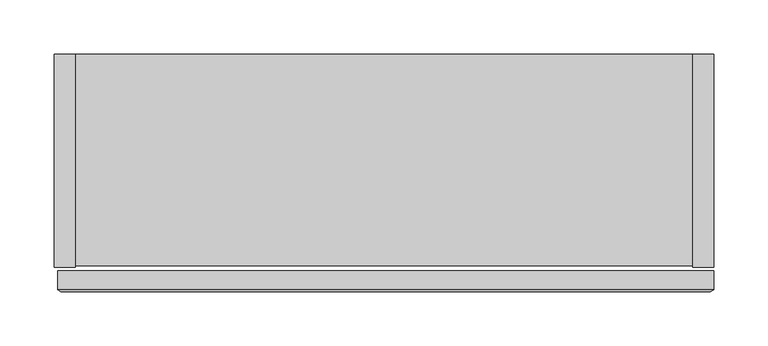
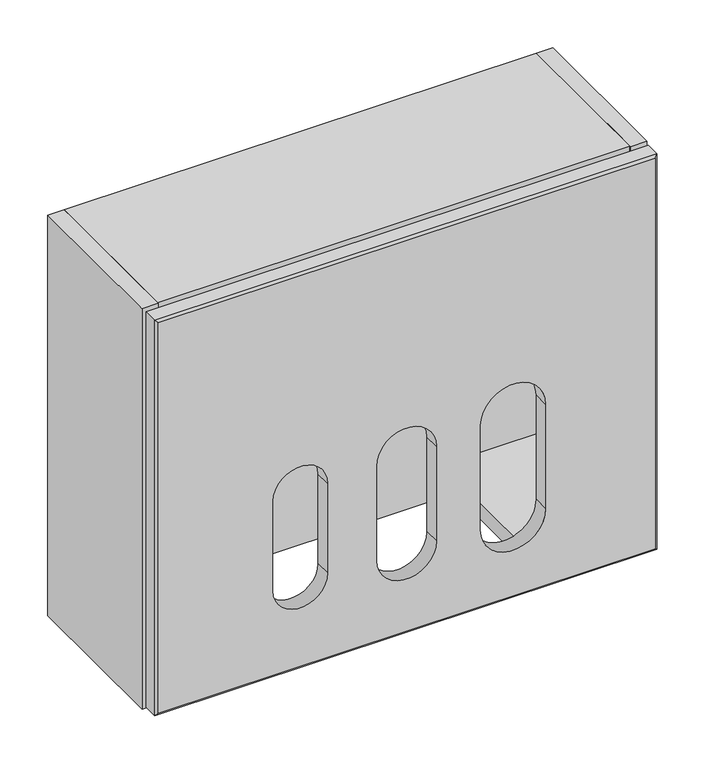
"""IFC4 building model written with IfcOpenShell, lengths in millimetres: furniture geometry."""

from ifc_helpers import new_model, si_unit, frame, origin, place, context, project, spatial, polyline, circle_curve, outline, extrude, source, transform, mapped, element, save
from ifc_brep_helpers import plane_surface, revolved_surface, advanced_brep


def furniture_24e6e045(model_context):
    return source(origin(), model_context, "Body", "SolidModel", [
        extrude(outline(polyline([(-437.6428362, 90.2328644), (-311.6834, 90.2328644), (-311.6834, -85.5446699), (-437.6428362, -85.5446699), (-437.6428362, 90.2328644)])), frame((0.0, 0.0, 1629.9375211), z_axis=(0.0, 0.0, 1.0), x_axis=(1.0, 0.0, 0.0)), (0.0, 0.0, 1.0), 19.5572001),
        extrude(outline(polyline([(6.8834, 90.2328644), (132.8428362, 90.2328644), (132.8428362, -85.5446699), (6.8834, -85.5446699), (6.8834, 90.2328644)])), frame((0.0, 0.0, 1629.9375211), z_axis=(0.0, 0.0, 1.0), x_axis=(1.0, 0.0, 0.0)), (0.0, 0.0, 1.0), 19.5572001),
        advanced_brep(
        [(-450.8501575, -109.7931898, 2112.6469333), (-450.8501575, -109.7931898, 1614.4452618), (149.2248425, -109.7931898, 1614.4452618), (149.2248425, -109.7931898, 2112.6469333), (-186.8350798, -109.7931898, 1837.4676831), (-114.7902351, -109.7931898, 1837.4676831), (-114.7902351, -109.7931898, 1716.8176831), (-186.8350798, -109.7931898, 1716.8176831), (-246.3154511, -109.7931898, 1722.0156217), (-312.1772377, -109.7931898, 1722.0156217), (-312.1772377, -109.7931898, 1836.3156217), (-246.3154511, -109.7931898, 1836.3156217), (16.923821, -109.7931898, 1711.7712252), (-61.5708063, -109.7931898, 1711.7712252), (-61.5708063, -109.7931898, 1845.1212252), (16.923821, -109.7931898, 1845.1212252), (-454.0251575, -107.9688826, 2115.8183967), (-454.0251575, -107.9688826, 1611.2768869), (152.3998425, -107.9688826, 1611.2768869), (152.3998425, -107.9688826, 2115.8183967), (-114.7902351, -90.2351898, 1837.4676831), (-186.8350798, -90.2351898, 1837.4676831), (-186.8350798, -90.2351898, 1716.8176831), (-114.7902351, -90.2351898, 1716.8176831), (-312.1772377, -90.2351898, 1722.0156217), (-246.3154511, -90.2351898, 1722.0156217), (-312.1772377, -90.2350813, 1836.3156217), (-246.3154511, -90.2350813, 1836.3156217), (-61.5708063, -90.2351898, 1711.7712252), (16.923821, -90.2351898, 1711.7712252), (-61.5708063, -90.2350813, 1845.1212252), (16.923821, -90.2350813, 1845.1212252), (152.3998425, -90.2350813, 1611.2768869), (152.3998425, -90.2350813, 2115.8183967), (-454.0251575, -90.2350813, 2115.8183967), (-454.0251575, -90.2350813, 1611.2768869)],
        [
            (0, 1),
            (1, 2),
            (2, 3),
            (3, 0),
            (4, 5, circle_curve(frame((-150.8126575, -109.7931898, 1837.4676831), z_axis=(0.0, 1.0, 0.0), x_axis=(-1.0, 0.0, 0.0)), 36.0224224)),
            (5, 6),
            (6, 7, circle_curve(frame((-150.8126575, -109.7931898, 1716.8176831), z_axis=(0.0, 1.0, 0.0), x_axis=(-1.0, 0.0, 0.0)), 36.0224224)),
            (7, 4),
            (8, 9, circle_curve(frame((-279.2463444, -109.7931898, 1722.0156217), z_axis=(0.0, 1.0, 0.0), x_axis=(-1.0, 0.0, 0.0)), 32.9308933)),
            (9, 10),
            (10, 11, circle_curve(frame((-279.2463444, -109.7931898, 1836.3156217), z_axis=(0.0, 1.0, 0.0), x_axis=(-1.0, 0.0, 0.0)), 32.9308933)),
            (11, 8),
            (12, 13, circle_curve(frame((-22.3234927, -109.7931898, 1711.7712252), z_axis=(0.0, 1.0, 0.0), x_axis=(-1.0, 0.0, 0.0)), 39.2473137)),
            (13, 14),
            (14, 15, circle_curve(frame((-22.3234927, -109.7931898, 1845.1212252), z_axis=(0.0, 1.0, 0.0), x_axis=(-1.0, 0.0, 0.0)), 39.2473137)),
            (15, 12),
            (0, 16),
            (16, 17),
            (17, 1),
            (17, 18),
            (18, 2),
            (18, 19),
            (19, 3),
            (19, 16),
            (20, 5),
            (4, 21),
            (21, 20, circle_curve(frame((-150.8126575, -90.2350813, 1837.4676831), z_axis=(0.0, 1.0, 0.0), x_axis=(-1.0, 0.0, 0.0)), 36.0224224)),
            (7, 22),
            (22, 21),
            (6, 23),
            (23, 22, circle_curve(frame((-150.8126575, -90.2350813, 1716.8176831), z_axis=(0.0, 1.0, 0.0), x_axis=(-1.0, 0.0, 0.0)), 36.0224224)),
            (20, 23),
            (24, 9),
            (8, 25),
            (25, 24, circle_curve(frame((-279.2463444, -90.2350813, 1722.0156217), z_axis=(0.0, 1.0, 0.0), x_axis=(-1.0, 0.0, 0.0)), 32.9308933)),
            (24, 26),
            (26, 10),
            (26, 27, circle_curve(frame((-279.2463444, -90.2350813, 1836.3156217), z_axis=(0.0, 1.0, 0.0), x_axis=(-1.0, 0.0, 0.0)), 32.9308933)),
            (27, 11),
            (27, 25),
            (28, 13),
            (12, 29),
            (29, 28, circle_curve(frame((-22.3234927, -90.2350813, 1711.7712252), z_axis=(0.0, 1.0, 0.0), x_axis=(-1.0, 0.0, 0.0)), 39.2473137)),
            (28, 30),
            (30, 14),
            (30, 31, circle_curve(frame((-22.3234927, -90.2350813, 1845.1212252), z_axis=(0.0, 1.0, 0.0), x_axis=(-1.0, 0.0, 0.0)), 39.2473137)),
            (31, 15),
            (31, 29),
            (18, 32),
            (32, 33),
            (33, 19),
            (16, 34),
            (34, 35),
            (35, 17),
            (35, 32),
            (34, 33),
        ],
        [
            plane_surface(frame((-150.8126575, -109.7931898, 1863.5460976), z_axis=(0.0, -1.0, 0.0), x_axis=(0.0, 0.0, -1.0))),
            plane_surface(frame((-454.0251575, -107.9688826, 1863.5476418), z_axis=(-0.4982006522762486, -0.8670617683138384, 0.0), x_axis=(0.0, 0.0, -1.0))),
            plane_surface(frame((-150.8126575, -107.9688826, 1611.2768869), z_axis=(0.0, -0.8666116478902123, -0.49898321789516215), x_axis=(1.0, 0.0, 0.0))),
            plane_surface(frame((152.3998425, -107.9688826, 1863.5476418), z_axis=(0.4982006522763809, -0.8670617683137625, 0.0), x_axis=(0.0, 0.0, 1.0))),
            plane_surface(frame((-150.8126575, -107.9688826, 2115.8183967), z_axis=(0.0, -0.8668217483884806, 0.49861814700303253), x_axis=(-1.0, 0.0, 0.0))),
            revolved_surface(polyline([(-186.8350799, -90.2350813, 1837.4676831), (-186.8350799, -109.7931898, 1837.4676831)]), (-150.8126575, -109.7931898, 1837.4676831), (0.0, 1.0, 0.0)),
            plane_surface(frame((-186.8350798, -90.2351898, 1716.8176831), z_axis=(1.0, 0.0, 0.0), x_axis=(0.0, -1.0, 0.0))),
            revolved_surface(polyline([(-186.8350799, -90.2350813, 1716.8176831), (-186.8350799, -109.7931898, 1716.8176831)]), (-150.8126575, -109.7931898, 1716.8176831), (0.0, 1.0, 0.0)),
            plane_surface(frame((-114.7902351, -90.2351898, 1837.4676831), z_axis=(-1.0, 0.0, 0.0), x_axis=(0.0, -1.0, 0.0))),
            revolved_surface(polyline([(-312.1772377, -90.2350813, 1722.0156217), (-312.1772377, -109.7931898, 1722.0156217)]), (-279.2463444, -90.2351898, 1722.0156217), (0.0, 1.0, 0.0)),
            plane_surface(frame((-312.1772377, -90.2351898, 1722.0156217), z_axis=(1.0, 0.0, 0.0), x_axis=(0.0, -1.0, 0.0))),
            revolved_surface(polyline([(-312.1772377, -90.2350813, 1836.3156217), (-312.1772377, -109.7931898, 1836.3156217)]), (-279.2463444, -90.2351898, 1836.3156217), (0.0, 1.0, 0.0)),
            plane_surface(frame((-246.3154511, -90.2351898, 1836.3156217), z_axis=(-1.0, 0.0, 0.0), x_axis=(0.0, -1.0, 0.0))),
            revolved_surface(polyline([(-61.570806399999995, -90.2350813, 1711.7712252), (-61.570806399999995, -109.7931898, 1711.7712252)]), (-22.3234927, -90.2351898, 1711.7712252), (0.0, 1.0, 0.0)),
            plane_surface(frame((-61.5708063, -90.2351898, 1711.7712252), z_axis=(1.0, 0.0, 0.0), x_axis=(0.0, -1.0, 0.0))),
            revolved_surface(polyline([(-61.570806399999995, -90.2350813, 1845.1212252), (-61.570806399999995, -109.7931898, 1845.1212252)]), (-22.3234927, -90.2351898, 1845.1212252), (0.0, 1.0, 0.0)),
            plane_surface(frame((16.923821, -90.2351898, 1845.1212252), z_axis=(-1.0, 0.0, 0.0), x_axis=(0.0, -1.0, 0.0))),
            plane_surface(frame((152.3998425, -107.9688826, 2115.8183967), z_axis=(1.0, 0.0, 0.0), x_axis=(0.0, 0.0, -1.0))),
            plane_surface(frame((-454.0251575, -107.9688826, 2115.8183967), z_axis=(-1.0, 0.0, 0.0), x_axis=(0.0, 0.0, 1.0))),
            plane_surface(frame((152.3998425, -107.9688826, 1611.2768869), z_axis=(0.0, 0.0, -1.0), x_axis=(-1.0, 0.0, 0.0))),
            plane_surface(frame((152.3998425, -90.2350813, 1611.2768869), z_axis=(0.0, 1.0, 0.0), x_axis=(-1.0, 0.0, 0.0))),
            plane_surface(frame((152.3998425, -90.2350813, 2115.8183967), z_axis=(0.0, 0.0, 1.0), x_axis=(-1.0, 0.0, 0.0))),
        ],
        [
            (0, [[1, 2, 3, 4], [5, 6, 7, 8], [9, 10, 11, 12], [13, 14, 15, 16]]),
            (1, [[-1, 17, 18, 19]]),
            (2, [[-2, -19, 20, 21]]),
            (3, [[-3, -21, 22, 23]]),
            (4, [[-4, -23, 24, -17]]),
            (5, [[25, -5, 26, 27]]),
            (6, [[-26, -8, 28, 29]]),
            (7, [[-28, -7, 30, 31]]),
            (8, [[-25, 32, -30, -6]]),
            (9, [[33, -9, 34, 35]]),
            (10, [[-33, 36, 37, -10]]),
            (11, [[-37, 38, 39, -11]]),
            (12, [[-34, -12, -39, 40]]),
            (13, [[41, -13, 42, 43]]),
            (14, [[-41, 44, 45, -14]]),
            (15, [[-45, 46, 47, -15]]),
            (16, [[-42, -16, -47, 48]]),
            (17, [[49, 50, 51, -22]]),
            (18, [[52, 53, 54, -18]]),
            (19, [[-49, -20, -54, 55]]),
            (20, [[-50, -55, -53, 56], [-27, -29, -31, -32], [-35, -40, -38, -36], [-43, -48, -46, -44]]),
            (21, [[-51, -56, -52, -24]]),
        ],
    ),
        extrude(outline(polyline([(132.8428362, 109.7898102), (132.8428362, 90.2328644), (-437.6428362, 90.2328644), (-437.6428362, 109.7898102), (132.8428362, 109.7898102)])), frame((0.0, 0.0, 1608.094414), z_axis=(0.0, 0.0, 1.0), x_axis=(1.0, 0.0, 0.0)), (0.0, 0.0, 1.0), 491.3434056),
        extrude(outline(polyline([(-457.2, 109.7898102), (-437.6428362, 109.7898102), (-437.6428362, -87.0689955), (-457.2, -87.0689955), (-457.2, 109.7898102)])), frame((0.0, 0.0, 1608.094414), z_axis=(0.0, 0.0, 1.0), x_axis=(1.0, 0.0, 0.0)), (0.0, 0.0, 1.0), 510.9005875),
        extrude(outline(polyline([(132.8428362, 109.7898102), (152.4, 109.7898102), (152.4, -87.0689955), (132.8428362, -87.0689955), (132.8428362, 109.7898102)])), frame((0.0, 0.0, 1608.094414), z_axis=(0.0, 0.0, 1.0), x_axis=(1.0, 0.0, 0.0)), (0.0, 0.0, 1.0), 510.9005875),
        extrude(outline(polyline([(132.8428362, 109.7898102), (132.8428362, -85.5446699), (-437.6428362, -85.5446699), (-437.6428362, 109.7898102), (132.8428362, 109.7898102)])), frame((0.0, 0.0, 2099.4378195), z_axis=(0.0, 0.0, 1.0), x_axis=(1.0, 0.0, 0.0)), (0.0, 0.0, 1.0), 19.557182),
    ])


if __name__ == "__main__":
    model = new_model("IFC4")
    model_context = context("Model", 3, world=origin())
    ifc_project = project(units=[si_unit("LENGTHUNIT", "METRE", prefix="MILLI")], contexts=[model_context])
    site = spatial("IfcSite", under=ifc_project)
    building = spatial("IfcBuilding", under=site)
    placement = place(None, origin())
    furniture_shape = furniture_24e6e045(model_context)
    element("IfcFurniture", 1, at=placement, inside=building, context=model_context, shape_type="MappedRepresentation", body=[
        mapped(furniture_shape, transform((0.0, 0.0, 0.0), x_axis=(1.0, 0.0, 0.0), y_axis=(0.0, 1.0, 0.0), z_axis=(0.0, 0.0, 1.0))),
    ])
    save(model, "model.ifc")
